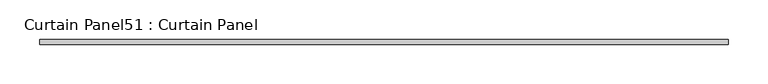
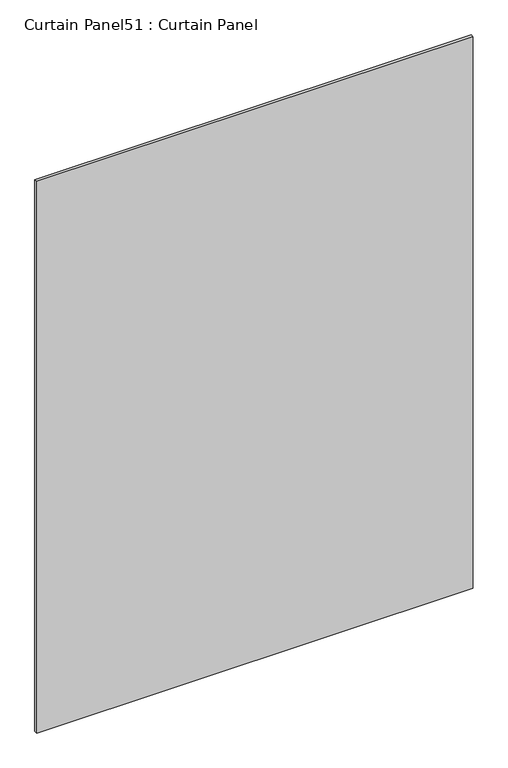
"""IFC4 building model written with IfcOpenShell, lengths in millimetres: plate geometry, Curtain Panel51 : Curtain Panel."""

from ifc_helpers import new_model, si_unit, frame, origin, place, context, project, spatial, polyline, outline, extrude, source, transform, mapped, element, save


def curtain_panel51_curtain_panel_8b67fcc6(model_context):
    return source(origin(), model_context, "Body", "SweptSolid", [
        extrude(outline(polyline([(-35583.2934821, 3064.8136018), (-36453.0250055, 3064.8136018), (-36453.0250055, 3071.1636018), (-35583.2934821, 3071.1636018), (-35583.2934821, 3064.8136018)])), frame((0.0, 0.0, 41.275), z_axis=(0.0, 0.0, 1.0), x_axis=(1.0, 0.0, 0.0)), (0.0, 0.0, 1.0), 1161.8595),
    ])


if __name__ == "__main__":
    model = new_model("IFC4")
    model_context = context("Model", 3, world=origin())
    ifc_project = project(units=[si_unit("LENGTHUNIT", "METRE", prefix="MILLI")], contexts=[model_context])
    site = spatial("IfcSite", under=ifc_project)
    building = spatial("IfcBuilding", under=site)
    placement = place(None, origin())
    curtain_panel51_curtain_panel_shape = curtain_panel51_curtain_panel_8b67fcc6(model_context)
    element("IfcPlate", 1, ObjectType="Curtain Panel51 : Curtain Panel", at=placement, inside=building, context=model_context, shape_type="MappedRepresentation", body=[
        mapped(curtain_panel51_curtain_panel_shape, transform((0.0, 0.0, 0.0), x_axis=(1.0, 0.0, 0.0), y_axis=(0.0, 1.0, 0.0), z_axis=(0.0, 0.0, 1.0))),
    ])
    save(model, "model.ifc")
